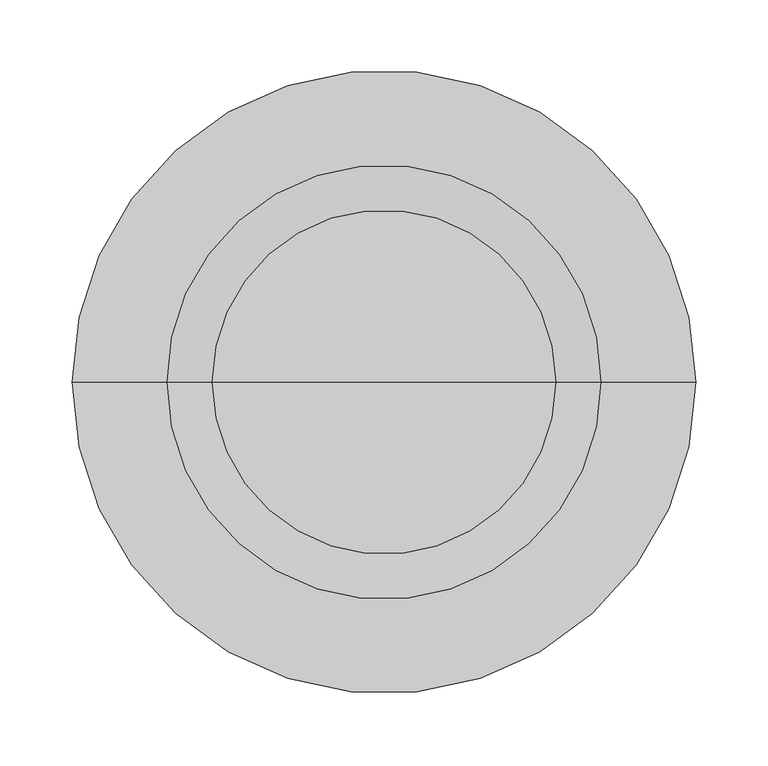
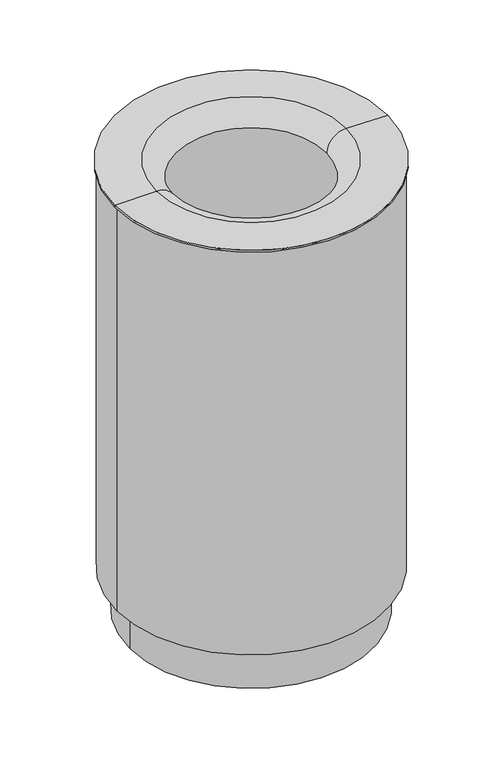
"""IFC4 building model written with IfcOpenShell, lengths in millimetres: furniture geometry."""

from ifc_helpers import new_model, si_unit, point, frame, origin, place, context, project, spatial, polyline, circle_curve, ellipse_curve, trimmed, source, transform, mapped, element, save
from ifc_brep_helpers import plane_surface, cylinder_surface, revolved_surface, advanced_brep


def furniture_2c842687(model_context):
    return source(origin(), model_context, "Body", "AdvancedBrep", [
        advanced_brep(
        [(-208.8817565, 0.0, 72.9885464), (208.8817565, 0.0, 72.9885464), (208.8817565, 0.0, 717.9885464), (-208.8817565, 0.0, 717.9885464), (0.0, 0.0, 72.9885464), (-191.9730709, 0.0, 0.0), (191.9730709, 0.0, 0.0), (0.0, 0.0, 0.0), (-191.9730709, 0.0, 70.0), (191.9730709, 0.0, 70.0), (-211.9122293, 0.0, 70.0), (211.9122293, 0.0, 70.0), (-211.9122293, 0.0, 743.8463648), (211.9122293, 0.0, 743.8463648), (-215.0436688, 0.0, 743.8463648), (215.0436688, 0.0, 743.8463648), (-215.0436688, 0.0, 746.8170238), (215.0436688, 0.0, 746.8170238), (-150.0535686, 0.0, 747.9514302), (150.0535686, 0.0, 747.9514302), (-118.8817565, 0.0, 717.9885464), (118.8817565, 0.0, 717.9885464)],
        [
            (0, 1, circle_curve(frame((0.0, 0.0, 72.9885464), z_axis=(0.0, 0.0, -1.0), x_axis=(1.0, 0.0, 0.0)), 208.8817565)),
            (1, 2),
            (2, 3, circle_curve(frame((0.0, 0.0, 717.9885464), z_axis=(0.0, 0.0, 1.0), x_axis=(1.0, 0.0, 0.0)), 208.8817565)),
            (3, 0),
            (1, 0, circle_curve(frame((0.0, 0.0, 72.9885464), z_axis=(0.0, 0.0, -1.0), x_axis=(1.0, 0.0, 0.0)), 208.8817565)),
            (3, 2, circle_curve(frame((0.0, 0.0, 717.9885464), z_axis=(0.0, 0.0, 1.0), x_axis=(1.0, 0.0, 0.0)), 208.8817565)),
            (4, 1),
            (0, 4),
            (5, 6, circle_curve(frame((0.0, 0.0, 0.0), z_axis=(0.0, 0.0, -1.0), x_axis=(1.0, 0.0, 0.0)), 191.9730709)),
            (6, 7),
            (7, 5),
            (6, 5, circle_curve(frame((0.0, 0.0, 0.0), z_axis=(0.0, 0.0, -1.0), x_axis=(1.0, 0.0, 0.0)), 191.9730709)),
            (8, 9, circle_curve(frame((0.0, 0.0, 70.0), z_axis=(0.0, 0.0, -1.0), x_axis=(1.0, 0.0, 0.0)), 191.9730709)),
            (9, 6),
            (5, 8),
            (9, 8, circle_curve(frame((0.0, 0.0, 70.0), z_axis=(0.0, 0.0, -1.0), x_axis=(1.0, 0.0, 0.0)), 191.9730709)),
            (10, 11, circle_curve(frame((0.0, 0.0, 70.0), z_axis=(0.0, 0.0, -1.0), x_axis=(1.0, 0.0, 0.0)), 211.9122293)),
            (11, 9),
            (8, 10),
            (11, 10, circle_curve(frame((0.0, 0.0, 70.0), z_axis=(0.0, 0.0, -1.0), x_axis=(1.0, 0.0, 0.0)), 211.9122293)),
            (12, 13, circle_curve(frame((0.0, 0.0, 743.8463648), z_axis=(0.0, 0.0, -1.0), x_axis=(1.0, 0.0, 0.0)), 211.9122293)),
            (13, 11),
            (10, 12),
            (13, 12, circle_curve(frame((0.0, 0.0, 743.8463648), z_axis=(0.0, 0.0, -1.0), x_axis=(1.0, 0.0, 0.0)), 211.9122293)),
            (14, 15, circle_curve(frame((0.0, 0.0, 743.8463648), z_axis=(0.0, 0.0, -1.0), x_axis=(1.0, 0.0, 0.0)), 215.0436688)),
            (15, 13),
            (12, 14),
            (15, 14, circle_curve(frame((0.0, 0.0, 743.8463648), z_axis=(0.0, 0.0, -1.0), x_axis=(1.0, 0.0, 0.0)), 215.0436688)),
            (16, 17, circle_curve(frame((0.0, 0.0, 746.8170238), z_axis=(0.0, 0.0, -1.0), x_axis=(1.0, 0.0, 0.0)), 215.0436688)),
            (17, 15),
            (14, 16),
            (17, 16, circle_curve(frame((0.0, 0.0, 746.8170238), z_axis=(0.0, 0.0, -1.0), x_axis=(1.0, 0.0, 0.0)), 215.0436688)),
            (18, 19, circle_curve(frame((0.0, 0.0, 747.9514302), z_axis=(0.0, 0.0, -1.0), x_axis=(1.0, 0.0, 0.0)), 150.0535686)),
            (19, 17),
            (16, 18),
            (19, 18, circle_curve(frame((0.0, 0.0, 747.9514302), z_axis=(0.0, 0.0, -1.0), x_axis=(1.0, 0.0, 0.0)), 150.0535686)),
            (20, 21, circle_curve(frame((0.0, 0.0, 717.9885464), z_axis=(0.0, 0.0, -1.0), x_axis=(1.0, 0.0, 0.0)), 118.8817565)),
            (21, 19, circle_curve(frame((149.5187489, 0.0, 717.3116279), z_axis=(0.0, 1.0, 0.0), x_axis=(1.0, 0.0, 0.0)), 30.6444696)),
            (18, 20, circle_curve(frame((-149.5187489, 0.0, 717.3116279), z_axis=(0.0, 1.0, 0.0), x_axis=(-1.0, 0.0, 0.0)), 30.6444696)),
            (21, 20, circle_curve(frame((0.0, 0.0, 717.9885464), z_axis=(0.0, 0.0, -1.0), x_axis=(1.0, 0.0, 0.0)), 118.8817565)),
            (2, 21),
            (20, 3),
        ],
        [
            revolved_surface(polyline([(208.8817565, 0.0, 717.9885463999999), (208.8817565, 0.0, 72.9885463999999)]), (0.0, 0.0, 1997.4144888), (0.0, 0.0, 1.0)),
            plane_surface(frame((0.0, 0.0, 72.9885464), z_axis=(0.0, 0.0, 1.0), x_axis=(1.0, 0.0, 0.0))),
            plane_surface(frame((0.0, 0.0, 0.0), z_axis=(0.0, 0.0, -1.0), x_axis=(1.0, 0.0, 0.0))),
            cylinder_surface(frame((0.0, 0.0, 1997.4144888), z_axis=(0.0, 0.0, 1.0), x_axis=(1.0, 0.0, 0.0)), 191.9730709),
            plane_surface(frame((0.0, 0.0, 70.0), z_axis=(0.0, 0.0, -1.0), x_axis=(1.0, 0.0, 0.0))),
            cylinder_surface(frame((0.0, 0.0, 1997.4144888), z_axis=(0.0, 0.0, 1.0), x_axis=(1.0, 0.0, 0.0)), 211.9122293),
            plane_surface(frame((0.0, 0.0, 743.8463648), z_axis=(0.0, 0.0, -1.0), x_axis=(1.0, 0.0, 0.0))),
            cylinder_surface(frame((0.0, 0.0, 1997.4144888), z_axis=(0.0, 0.0, 1.0), x_axis=(1.0, 0.0, 0.0)), 215.0436688),
            revolved_surface(polyline([(215.0436688, 0.0, 746.8170238), (150.0535686, 0.0, 747.9514302)]), (0.0, 0.0, 1997.4144888), (0.0, 0.0, 1.0)),
            revolved_surface(trimmed(ellipse_curve(frame((149.5187489, 0.0, 717.3116279), z_axis=(0.0, -1.0, 0.0), x_axis=(1.0, 0.0, 0.0)), 30.6444696, 30.6444696), [point((150.0535686, 0.0, 747.9514302))], [point((118.8817565, 0.0, 717.9885464))], True, "CARTESIAN"), (0.0, 0.0, 1997.4144888), (0.0, 0.0, 1.0)),
            plane_surface(frame((0.0, 0.0, 717.9885464), z_axis=(0.0, 0.0, -1.0), x_axis=(1.0, 0.0, 0.0))),
        ],
        [
            (0, [[1, 2, 3, 4]]),
            (0, [[5, -4, 6, -2]]),
            (1, [[7, -1, 8]]),
            (1, [[-8, -5, -7]]),
            (2, [[9, 10, 11]]),
            (2, [[12, -11, -10]]),
            (3, [[13, 14, -9, 15]]),
            (3, [[16, -15, -12, -14]]),
            (4, [[17, 18, -13, 19]]),
            (4, [[20, -19, -16, -18]]),
            (5, [[21, 22, -17, 23]]),
            (5, [[24, -23, -20, -22]]),
            (6, [[25, 26, -21, 27]]),
            (6, [[28, -27, -24, -26]]),
            (7, [[29, 30, -25, 31]]),
            (7, [[32, -31, -28, -30]]),
            (8, [[33, 34, -29, 35]]),
            (8, [[36, -35, -32, -34]]),
            (9, [[37, 38, -33, 39]]),
            (9, [[40, -39, -36, -38]]),
            (10, [[-3, 41, -37, 42]]),
            (10, [[-6, -42, -40, -41]]),
        ],
    ),
    ])


if __name__ == "__main__":
    model = new_model("IFC4")
    model_context = context("Model", 3, world=origin())
    ifc_project = project(units=[si_unit("LENGTHUNIT", "METRE", prefix="MILLI")], contexts=[model_context])
    site = spatial("IfcSite", under=ifc_project)
    building = spatial("IfcBuilding", under=site)
    placement = place(None, origin())
    furniture_shape = furniture_2c842687(model_context)
    element("IfcFurniture", 1, at=placement, inside=building, context=model_context, shape_type="MappedRepresentation", body=[
        mapped(furniture_shape, transform((0.0, 0.0, 0.0), x_axis=(1.0, 0.0, 0.0), y_axis=(0.0, 1.0, 0.0), z_axis=(0.0, 0.0, 1.0))),
    ])
    save(model, "model.ifc")
